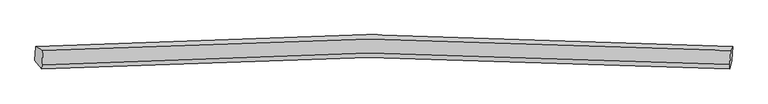
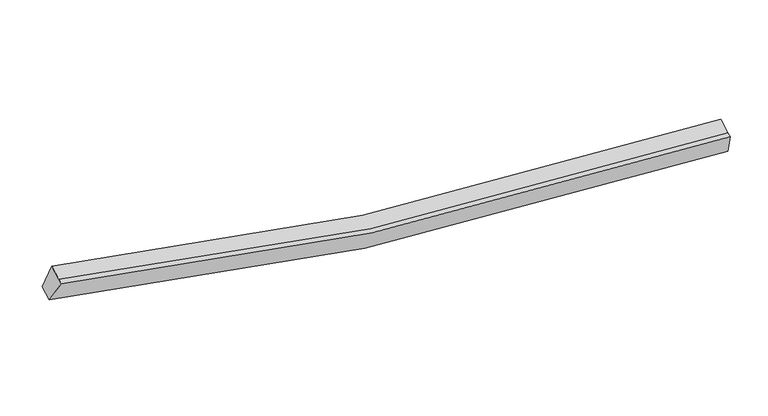
"""IFC4 building model written with IfcOpenShell, lengths in millimetres: proxy geometry."""

from ifc_helpers import new_model, si_unit, frame, origin, place, context, project, spatial, source, transform, mapped, element, save
from ifc_brep_helpers import plane_surface, spline_curve, spline_surface, advanced_brep


def generic_models_bd04fe2d(model_context):
    return source(origin(), model_context, "Body", "AdvancedBrep", [
        advanced_brep(
        [(-9875.6364, -1866.0845187, 4358.5274164), (-9657.2117904, -1985.8451389, 5029.0771888), (10968.8442553, -1979.6139608, 2585.5222199), (11027.6723863, -1859.6703725, 1882.783506), (-9676.8633062, -2414.59509, 4857.375855), (10949.1927395, -2408.363912, 2413.8208862), (-9682.8148259, -2544.443281, 4805.3755981), (10943.2412198, -2538.2121029, 2361.8206293), (-9894.9787954, -2288.0901888, 4189.5269624), (11008.3299909, -2281.6760425, 1713.783052)],
        [
            (0, 1),
            (1, 2, spline_curve(3, [(-9657.2117904, -1985.8451389, 5029.0771888), (-6421.659451502, -1761.667023524, 4116.432640053), (-3155.599868292, -1644.582245712, 3454.172666431), (3714.412334252, -1623.760184536, 2595.828466003), (7323.704765806, -1738.767902834, 2443.570116649), (10968.8442553, -1979.6139608, 2585.5222199)], [4, 2, 4], [0.0, 33.0398650407969, 68.85474731832525])),
            (2, 3),
            (3, 0, spline_curve(3, [(11027.6723863, -1859.6703725, 1882.783506), (7332.57487749, -1615.215757418, 1737.538371165), (3674.305900625, -1498.492978523, 1891.119547214), (-3287.977681231, -1519.658085526, 2760.8809779), (-6597.478299399, -1638.518914067, 3432.547771073), (-9875.6364, -1866.0845187, 4358.5274164)], [4, 2, 4], [0.0, 35.814882277528355, 68.85474731832525])),
            (1, 4),
            (4, 5, spline_curve(3, [(-9676.8633062, -2414.59509, 4857.375855), (-6441.310967581, -2190.416974834, 3944.731305874), (-3175.251383847, -2073.332197313, 3282.471332797), (3694.760818186, -2052.510135093, 2424.127132023), (7304.053249719, -2167.517853861, 2271.868783212), (10949.1927395, -2408.363912, 2413.8208862)], [4, 2, 4], [0.0, 32.819076397950425, 68.39462600138953])),
            (5, 2),
            (4, 6),
            (6, 7, spline_curve(3, [(-9682.8148259, -2544.443281, 4805.3755981), (-6447.262487281, -2320.265165834, 3892.731048974), (-3181.202903547, -2203.180388313, 3230.471075997), (3688.809298486, -2182.358326093, 2372.126875223), (7298.101730019, -2297.366044761, 2219.868526312), (10943.2412198, -2538.2121029, 2361.8206293)], [4, 2, 4], [0.0, 32.81907639795042, 68.39462600138951])),
            (7, 5),
            (6, 8),
            (8, 9, spline_curve(3, [(-9894.9787954, -2288.0901888, 4189.5269624), (-6616.820694799, -2060.524584167, 3263.547317073), (-3307.320076731, -1941.663755626, 2591.8805239), (3654.963505125, -1920.498648623, 1722.119093214), (7313.23248209, -2037.221427418, 1568.537917165), (11008.3299909, -2281.6760425, 1713.783052)], [4, 2, 4], [0.0, 33.039865040796904, 68.85474731832527])),
            (9, 7),
            (8, 0),
            (3, 9),
        ],
        [
            spline_surface(3, 3, [[(-9875.6364, -1866.0845187, 4358.5274164), (-6597.478299104, -1638.518913908, 3432.547771388), (-3287.977680993, -1519.658086067, 2760.880977556), (3674.305900366, -1498.492977937, 1891.119547586), (7332.574877707, -1615.215757048, 1737.538371271), (11027.6723863, -1859.6703725, 1882.783506)], [(-9802.828196805, -1906.004725413, 4582.04400718), (-6538.872016665, -1679.568283828, 3660.509394265), (-3243.851743377, -1561.299472663, 2991.978207097), (3687.674711663, -1540.248713369, 2126.022520492), (7329.618173757, -1656.399805597, 1972.882286576), (11008.063009289, -1899.651568595, 2117.029743969)], [(-9730.019993595, -1945.924932187, 4805.56059802), (-6480.265734211, -1720.617653807, 3888.471017202), (-3199.725805839, -1602.94085933, 3223.075436625), (3701.04352288, -1582.004448872, 2360.925493385), (7326.66146984, -1697.583854161, 2208.226201875), (10988.453632311, -1939.632764705, 2351.275981931)], [(-9657.2117904, -1985.8451389, 5029.0771888), (-6421.659451771, -1761.667023726, 4116.432640079), (-3155.599868222, -1644.582245926, 3454.172666166), (3714.412334176, -1623.760184303, 2595.828466291), (7323.704765891, -1738.767902709, 2443.57011718), (10968.8442553, -1979.6139608, 2585.5222199)]], [4, 4], [4, 2, 4], [0.0, 2.3468338151759975], [0.0, 33.0398650407969, 68.85474731832525]),
            spline_surface(3, 3, [[(-9657.2117904, -1985.8451389, 5029.0771888), (-6421.659451771, -1761.667023726, 4116.432640079), (-3155.599868222, -1644.582245926, 3454.172666166), (3714.412334176, -1623.760184303, 2595.828466291), (7323.704765891, -1738.767902709, 2443.57011718), (10968.8442553, -1979.6139608, 2585.5222199)], [(-9663.762295672, -2128.761789281, 4971.843410869), (-6428.209957043, -1904.583674107, 4059.198862148), (-3162.150373494, -1787.498896307, 3396.938888234), (3707.861828905, -1766.676834684, 2538.59468836), (7317.154260619, -1881.68455309, 2386.336339248), (10962.293750028, -2122.530611181, 2528.288441969)], [(-9670.312800928, -2271.678439619, 4914.609632931), (-6434.7604623, -2047.500324445, 4001.96508421), (-3168.700878751, -1930.415546646, 3339.705110297), (3701.311323648, -1909.593485022, 2481.360910422), (7310.603755363, -2024.601203529, 2329.102561411), (10955.743244772, -2265.447261619, 2471.054664131)], [(-9676.8633062, -2414.59509, 4857.375855), (-6441.310967571, -2190.416974826, 3944.731306279), (-3175.251384022, -2073.332197026, 3282.471332366), (3694.760818376, -2052.510135403, 2424.127132491), (7304.053250091, -2167.517853909, 2271.86878348), (10949.1927395, -2408.363912, 2413.8208862)]], [4, 4], [4, 2, 4], [0.0, 1.5166356247883352], [0.0, 32.819076397950425, 68.39462600138953]),
            spline_surface(3, 3, [[(-9676.8633062, -2414.59509, 4857.375855), (-6441.310967571, -2190.416974826, 3944.731306279), (-3175.251384022, -2073.332197026, 3282.471332366), (3694.760818376, -2052.510135403, 2424.127132491), (7304.053250091, -2167.517853909, 2271.86878348), (10949.1927395, -2408.363912, 2413.8208862)], [(-9678.847146099, -2457.877820327, 4840.042436051), (-6443.29480747, -2233.699705154, 3927.39788733), (-3177.235223921, -2116.614927354, 3265.137913417), (3692.776978478, -2095.79286573, 2406.793713542), (7302.069410192, -2210.800584237, 2254.535364531), (10947.208899601, -2451.646642327, 2396.487467251)], [(-9680.830986001, -2501.160550673, 4822.709017049), (-6445.278647373, -2276.982435499, 3910.064468328), (-3179.219063824, -2159.897657699, 3247.804494514), (3690.793138575, -2139.075596076, 2389.46029464), (7300.085570289, -2254.083314482, 2237.201945528), (10945.225059699, -2494.929372573, 2379.154048249)], [(-9682.8148259, -2544.443281, 4805.3755981), (-6447.262487271, -2320.265165826, 3892.731049379), (-3181.202903722, -2203.180388026, 3230.471075566), (3688.809298676, -2182.358326403, 2372.126875691), (7298.101730391, -2297.366044809, 2219.86852658), (10943.2412198, -2538.2121029, 2361.8206293)]], [4, 4], [4, 2, 4], [0.0, 0.45931758530183137], [0.0, 32.81907639795042, 68.39462600138951]),
            spline_surface(3, 3, [[(-9682.8148259, -2544.443281, 4805.3755981), (-6447.262487271, -2320.265165826, 3892.731049379), (-3181.202903722, -2203.180388026, 3230.471075566), (3688.809298676, -2182.358326403, 2372.126875691), (7298.101730391, -2297.366044809, 2219.86852658), (10943.2412198, -2538.2121029, 2361.8206293)], [(-9753.53614907, -2458.992250253, 4600.092719521), (-6503.781889686, -2233.684971873, 3683.003138703), (-3223.241961314, -2116.008177397, 3017.607558226), (3677.527367405, -2095.071766938, 2155.457614986), (7303.145314365, -2210.651172227, 2002.758323475), (10964.937476836, -2452.700082771, 2145.808103532)], [(-9824.25747223, -2373.541219547, 4394.809840979), (-6560.301292089, -2147.104777961, 3473.275228064), (-3265.281018901, -2028.835966796, 2804.744040896), (3666.245436138, -2007.785207502, 1938.788354291), (7308.188898332, -2123.936299631, 1785.648120375), (10986.633733864, -2367.188062629, 1929.795577768)], [(-9894.9787954, -2288.0901888, 4189.5269624), (-6616.820694504, -2060.524584008, 3263.547317388), (-3307.320076493, -1941.663756167, 2591.880523556), (3654.963504866, -1920.498648037, 1722.119093586), (7313.232482307, -2037.221427048, 1568.537917271), (11008.3299909, -2281.6760425, 1713.783052)]], [4, 4], [4, 2, 4], [0.0, 2.2965564297968255], [0.0, 33.039865040796904, 68.85474731832527]),
            spline_surface(3, 3, [[(-9894.9787954, -2288.0901888, 4189.5269624), (-6616.820694504, -2060.524584008, 3263.547317388), (-3307.320076493, -1941.663756167, 2591.880523556), (3654.963504866, -1920.498648037, 1722.119093586), (7313.232482307, -2037.221427048, 1568.537917271), (11008.3299909, -2281.6760425, 1713.783052)], [(-9888.531330254, -2147.421632125, 4245.860447079), (-6610.373229358, -1919.856027333, 3319.880802067), (-3300.872611347, -1800.995199492, 2648.214008235), (3661.410970012, -1779.830091363, 1778.452578265), (7319.679947452, -1896.552870374, 1624.87140195), (11014.777456046, -2141.007485825, 1770.116536679)], [(-9882.083865146, -2006.753075375, 4302.193931721), (-6603.92576425, -1779.187470582, 3376.214286709), (-3294.425146139, -1660.326642741, 2704.547492877), (3667.858435221, -1639.161534612, 1834.786062907), (7326.127412561, -1755.884313723, 1681.204886592), (11021.224921154, -2000.338929175, 1826.450021321)], [(-9875.6364, -1866.0845187, 4358.5274164), (-6597.478299104, -1638.518913908, 3432.547771388), (-3287.977680993, -1519.658086067, 2760.880977556), (3674.305900366, -1498.492977937, 1891.119547586), (7332.574877707, -1615.215757048, 1737.538371271), (11027.6723863, -1859.6703725, 1882.783506)]], [4, 4], [4, 2, 4], [0.0, 1.4927787893967157], [0.0, 33.26065399746069, 69.31486928925312]),
            plane_surface(frame((10987.0219631, -2164.7931197, 2135.9773518), z_axis=(0.994759674810898, -0.07389225734857108, 0.07066203842268655), x_axis=(0.09298395872393081, 0.3664800862655501, -0.9257679675765528))),
            plane_surface(frame((-9777.6604529, -2171.1157818, 4595.6267914), z_axis=(-0.9520128358058082, -0.07517699615345849, 0.2966816133674721), x_axis=(-0.04251085496838963, -0.9274870784408417, -0.3714304060455049))),
        ],
        [
            (0, [[1, 2, 3, 4]]),
            (1, [[5, 6, 7, -2]]),
            (2, [[8, 9, 10, -6]]),
            (3, [[11, 12, 13, -9]]),
            (4, [[14, -4, 15, -12]]),
            (5, [[-13, -15, -3, -7, -10]]),
            (6, [[-14, -11, -8, -5, -1]]),
        ],
    ),
    ])


if __name__ == "__main__":
    model = new_model("IFC4")
    model_context = context("Model", 3, world=origin())
    ifc_project = project(units=[si_unit("LENGTHUNIT", "METRE", prefix="MILLI")], contexts=[model_context])
    site = spatial("IfcSite", under=ifc_project)
    building = spatial("IfcBuilding", under=site)
    placement = place(None, origin())
    generic_models_shape = generic_models_bd04fe2d(model_context)
    element("IfcBuildingElementProxy", 1, Name="Generic Models", at=placement, inside=building, context=model_context, shape_type="MappedRepresentation", body=[
        mapped(generic_models_shape, transform((0.0, 0.0, 0.0), x_axis=(1.0, 0.0, 0.0), y_axis=(0.0, 1.0, 0.0), z_axis=(0.0, 0.0, 1.0))),
    ])
    save(model, "model.ifc")
